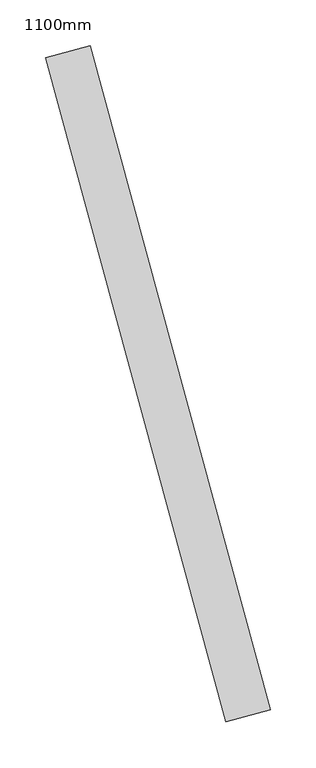
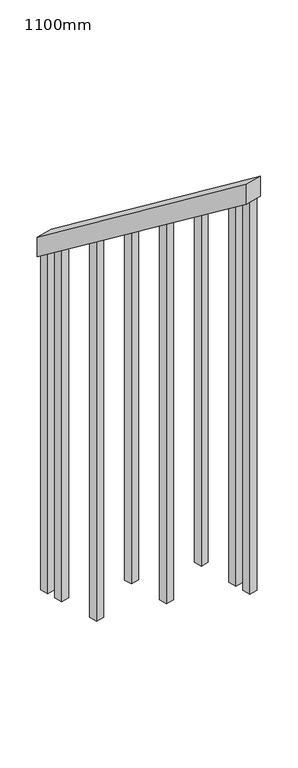
"""IFC4 building model written with IfcOpenShell, lengths in millimetres: railing geometry, 1100mm."""

from ifc_helpers import new_model, si_unit, frame, origin, place, context, project, spatial, polyline, outline, extrude, source, transform, mapped, element, save


def railing_1100mm_5ba228f5(model_context):
    return source(origin(), model_context, "Body", "SweptSolid", [
        extrude(outline(polyline([(35.5555555, -50.0), (0.0, 0.0), (920.2958461, 0.0), (955.8514017, -50.0), (35.5555555, -50.0)])), frame((84911.6728861, 13284.6238192, 1216.4247214), z_axis=(0.9649894123601861, 0.26228883703418043, 0.0), x_axis=(0.21375368431593786, -0.7864232597553563, 0.5795237863600784)), (0.0, 0.0, 1.0), 50.0),
        extrude(outline(polyline([(108.8888889, 0.0), (1271.980277, 0.0), (1271.980277, -25.0), (91.1111112, -25.0), (108.8888889, 0.0)])), frame((85100.7802187, 12636.5345763, 1805.3136103), z_axis=(0.9649894123601861, 0.26228883703418043, 0.0), x_axis=(0.0, 0.0, -1.0)), (0.0, 0.0, 1.0), 25.0),
        extrude(outline(polyline([(108.8888889, 0.0), (1183.0913881, 0.0), (1183.0913881, -25.0), (91.1111111, -25.0), (108.8888889, 0.0)])), frame((85067.9941141, 12757.1582528, 1716.4247214), z_axis=(0.9649894123601861, 0.26228883703418043, 0.0), x_axis=(0.0, 0.0, -1.0)), (0.0, 0.0, 1.0), 25.0),
        extrude(outline(polyline([(108.8888889, 0.0), (1271.9802769, 0.0), (1271.9802769, -25.0), (91.1111111, -25.0), (108.8888889, 0.0)])), frame((85035.2080094, 12877.7819294, 1627.5358325), z_axis=(0.9649894123601861, 0.26228883703418043, 0.0), x_axis=(0.0, 0.0, -1.0)), (0.0, 0.0, 1.0), 25.0),
        extrude(outline(polyline([(108.8888889, 0.0), (1183.091388, 0.0), (1183.091388, -25.0), (91.1111111, -25.0), (108.8888889, 0.0)])), frame((85002.4219048, 12998.4056059, 1538.6469436), z_axis=(0.9649894123601861, 0.26228883703418043, 0.0), x_axis=(0.0, 0.0, -1.0)), (0.0, 0.0, 1.0), 25.0),
        extrude(outline(polyline([(108.8888889, 0.0), (1271.9802769, 0.0), (1271.9802769, -25.0000001), (91.1111111, -25.0000001), (108.8888889, 0.0)])), frame((84969.6358002, 13119.0292825, 1449.7580547), z_axis=(0.9649894123601861, 0.26228883703418043, 0.0), x_axis=(0.0, 0.0, -1.0)), (0.0, 0.0, 1.0), 25.0),
        extrude(outline(polyline([(108.8888889, 0.0), (1183.091388, 0.0), (1183.091388, -25.0), (91.1111111, -25.0), (108.8888889, 0.0)])), frame((84936.8496956, 13239.652959, 1360.8691658), z_axis=(0.9649894123601861, 0.26228883703418043, 0.0), x_axis=(0.0, 0.0, -1.0)), (0.0, 0.0, 1.0), 25.0),
        extrude(outline(polyline([(108.8888889, 0.0), (1307.5358325, 0.0), (1307.5358325, -25.0000001), (91.1111111, -25.0000001), (108.8888889, 0.0)])), frame((85113.8946606, 12588.2851057, 1840.8691658), z_axis=(0.9649894123601861, 0.26228883703418043, 0.0), x_axis=(0.0, 0.0, -1.0)), (0.0, 0.0, 1.0), 25.0),
        extrude(outline(polyline([(108.8888889, 0.0), (1147.5358325, 0.0), (1147.5358325, -25.0), (91.1111112, -25.0), (108.8888889, 0.0)])), frame((84923.7352537, 13287.9024296, 1325.3136103), z_axis=(0.9649894123601861, 0.26228883703418043, 0.0), x_axis=(0.0, 0.0, -1.0)), (0.0, 0.0, 1.0), 25.0),
    ])


if __name__ == "__main__":
    model = new_model("IFC4")
    model_context = context("Model", 3, world=origin())
    ifc_project = project(units=[si_unit("LENGTHUNIT", "METRE", prefix="MILLI")], contexts=[model_context])
    site = spatial("IfcSite", under=ifc_project)
    building = spatial("IfcBuilding", under=site)
    placement = place(None, origin())
    railing_1100mm_shape = railing_1100mm_5ba228f5(model_context)
    element("IfcRailing", 1, ObjectType="1100mm", at=placement, inside=building, context=model_context, shape_type="MappedRepresentation", body=[
        mapped(railing_1100mm_shape, transform((0.0, 0.0, 0.0), x_axis=(1.0, 0.0, 0.0), y_axis=(0.0, 1.0, 0.0), z_axis=(0.0, 0.0, 1.0))),
    ])
    save(model, "model.ifc")
